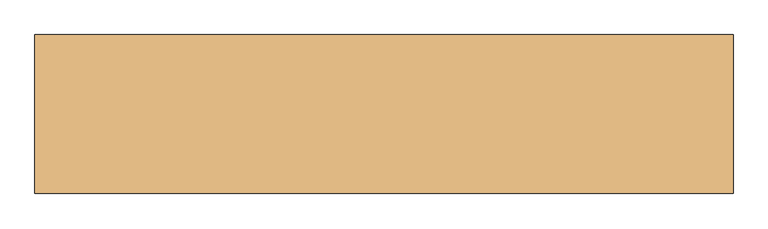
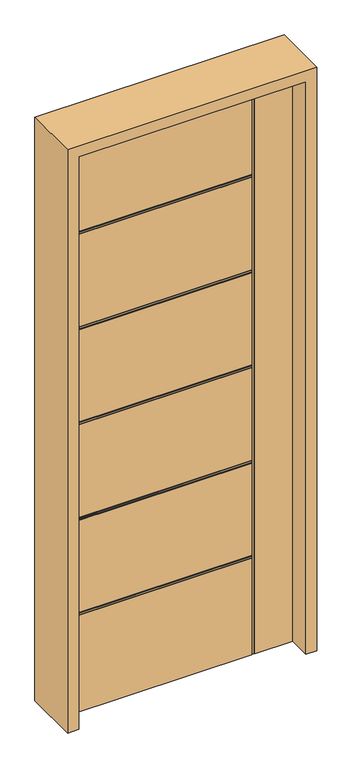
"""IFC4 building model written with IfcOpenShell, lengths in millimetres: door geometry."""

from ifc_helpers import new_model, si_unit, frame, origin, place, context, project, spatial, polyline, outline, extrude, faceted_brep, source, transform, mapped, element, save


def door_75e451d3(model_context):
    return source(origin(), model_context, "Body", "SolidModel", [
        faceted_brep([(-457.2, 22.225, 0.0), (292.1, 22.225, 0.0), (292.1, 18.9507813, 0.0), (295.402, 18.9507813, 0.0), (295.402, 22.225, 0.0), (301.498, 22.225, 0.0), (301.498, 18.9507813, 0.0), (304.8, 18.9507813, 0.0), (304.8, 22.225, 0.0), (457.2, 22.225, 0.0), (457.2, -22.225, 0.0), (304.8, -22.225, 0.0), (304.8, -18.923, 0.0), (301.498, -18.923, 0.0), (301.498, -22.225, 0.0), (295.402, -22.225, 0.0), (295.402, -18.923, 0.0), (292.1, -18.923, 0.0), (292.1, -22.225, 0.0), (-457.2, -22.225, 0.0), (-457.2, 22.225, 2438.4), (-457.2, 22.225, 2045.462), (-457.2, 18.9507813, 2045.462), (-457.2, 18.9507813, 2042.16), (-457.2, 22.225, 2042.16), (-457.2, 22.225, 2036.064), (-457.2, 18.9507813, 2036.064), (-457.2, 18.9507813, 2032.762), (-457.2, 22.225, 2032.762), (-457.2, 22.225, 1639.824), (-457.2, 18.9507813, 1639.824), (-457.2, 18.9507813, 1636.522), (-457.2, 22.225, 1636.522), (-457.2, 22.225, 1630.426), (-457.2, 18.9507813, 1630.426), (-457.2, 18.9507813, 1627.124), (-457.2, 22.225, 1627.124), (-457.2, 22.225, 1234.186), (-457.2, 18.9507813, 1234.186), (-457.2, 18.9507813, 1230.884), (-457.2, 22.225, 1230.884), (-457.2, 22.225, 1224.788), (-457.2, 18.9507813, 1224.788), (-457.2, 18.9507813, 1221.486), (-457.2, 22.225, 1221.486), (-457.2, 22.225, 828.548), (-457.2, 18.9507813, 828.548), (-457.2, 18.9507813, 825.246), (-457.2, 22.225, 825.246), (-457.2, 22.225, 819.15), (-457.2, 18.9507813, 819.15), (-457.2, 18.9507813, 815.848), (-457.2, 22.225, 815.848), (-457.2, 22.225, 422.91), (-457.2, 18.9507813, 422.91), (-457.2, 18.9507813, 419.608), (-457.2, 22.225, 419.608), (-457.2, 22.225, 413.512), (-457.2, 18.9507813, 413.512), (-457.2, 18.9507813, 410.21), (-457.2, 22.225, 410.21), (-457.2, -22.225, 410.21), (-457.2, -18.923, 410.21), (-457.2, -18.923, 413.512), (-457.2, -22.225, 413.512), (-457.2, -22.225, 419.608), (-457.2, -18.923, 419.608), (-457.2, -18.923, 422.91), (-457.2, -22.225, 422.91), (-457.2, -22.225, 815.848), (-457.2, -18.923, 815.848), (-457.2, -18.923, 819.15), (-457.2, -22.225, 819.15), (-457.2, -22.225, 825.246), (-457.2, -18.923, 825.246), (-457.2, -18.923, 828.548), (-457.2, -22.225, 828.548), (-457.2, -22.225, 1221.486), (-457.2, -18.923, 1221.486), (-457.2, -18.923, 1224.788), (-457.2, -22.225, 1224.788), (-457.2, -22.225, 1230.884), (-457.2, -18.923, 1230.884), (-457.2, -18.923, 1234.186), (-457.2, -22.225, 1234.186), (-457.2, -22.225, 1627.124), (-457.2, -18.923, 1627.124), (-457.2, -18.923, 1630.426), (-457.2, -22.225, 1630.426), (-457.2, -22.225, 1636.522), (-457.2, -18.923, 1636.522), (-457.2, -18.923, 1639.824), (-457.2, -22.225, 1639.824), (-457.2, -22.225, 2032.762), (-457.2, -18.923, 2032.762), (-457.2, -18.923, 2036.064), (-457.2, -22.225, 2036.064), (-457.2, -22.225, 2042.16), (-457.2, -18.923, 2042.16), (-457.2, -18.923, 2045.462), (-457.2, -22.225, 2045.462), (-457.2, -22.225, 2438.4), (292.1, -22.225, 2045.462), (292.1, -22.225, 2438.4), (292.1, -22.225, 410.21), (292.1, -22.225, 828.548), (292.1, -22.225, 1221.486), (292.1, -22.225, 819.15), (292.1, -22.225, 825.246), (292.1, -22.225, 422.91), (292.1, -22.225, 815.848), (292.1, -22.225, 413.512), (292.1, -22.225, 419.608), (295.402, -22.225, 2438.4), (301.498, -22.225, 2438.4), (292.1, -22.225, 2036.064), (292.1, -22.225, 2042.16), (292.1, -22.225, 1224.788), (292.1, -22.225, 1230.884), (292.1, -22.225, 1234.186), (292.1, -22.225, 1627.124), (292.1, -22.225, 1630.426), (292.1, -22.225, 1636.522), (292.1, -22.225, 1639.824), (292.1, -22.225, 2032.762), (457.2, -22.225, 2438.4), (304.8, -22.225, 2438.4), (457.2, 22.225, 2438.4), (304.8, 22.225, 2438.4), (292.1, 22.225, 410.21), (292.1, 22.225, 419.608), (292.1, 22.225, 413.512), (292.1, 22.225, 815.848), (292.1, 22.225, 422.91), (292.1, 22.225, 825.246), (292.1, 22.225, 819.15), (292.1, 22.225, 1221.486), (292.1, 22.225, 828.548), (292.1, 22.225, 2438.4), (292.1, 22.225, 2045.462), (301.498, 22.225, 2438.4), (295.402, 22.225, 2438.4), (292.1, 22.225, 2042.16), (292.1, 22.225, 2036.064), (292.1, 22.225, 1230.884), (292.1, 22.225, 1224.788), (292.1, 22.225, 1627.124), (292.1, 22.225, 1234.186), (292.1, 22.225, 1636.522), (292.1, 22.225, 1630.426), (292.1, 22.225, 2032.762), (292.1, 22.225, 1639.824), (304.8, 18.9507813, 2438.4), (301.498, 18.9507813, 2438.4), (295.402, 18.9507813, 2438.4), (292.1, 18.9507813, 2438.4), (292.1, -18.923, 2438.4), (295.402, -18.923, 2438.4), (301.498, -18.923, 2438.4), (304.8, -18.923, 2438.4), (292.1, 18.9507813, 410.21), (292.1, 18.9507813, 413.512), (292.1, 18.9507813, 419.608), (292.1, 18.9507813, 422.91), (292.1, 18.9507813, 815.848), (292.1, 18.9507813, 819.15), (292.1, 18.9507813, 825.246), (292.1, 18.9507813, 828.548), (292.1, 18.9507813, 1221.486), (292.1, 18.9507813, 1224.788), (292.1, 18.9507813, 1230.884), (292.1, 18.9507813, 1234.186), (292.1, 18.9507813, 1627.124), (292.1, 18.9507813, 1630.426), (292.1, 18.9507813, 1636.522), (292.1, 18.9507813, 1639.824), (292.1, 18.9507813, 2032.762), (292.1, 18.9507813, 2036.064), (292.1, 18.9507813, 2042.16), (292.1, 18.9507813, 2045.462), (292.1, -18.923, 410.21), (292.1, -18.923, 2045.462), (292.1, -18.923, 2042.16), (292.1, -18.923, 2036.064), (292.1, -18.923, 2032.762), (292.1, -18.923, 1639.824), (292.1, -18.923, 1636.522), (292.1, -18.923, 1630.426), (292.1, -18.923, 1627.124), (292.1, -18.923, 1234.186), (292.1, -18.923, 1230.884), (292.1, -18.923, 1224.788), (292.1, -18.923, 1221.486), (292.1, -18.923, 828.548), (292.1, -18.923, 825.246), (292.1, -18.923, 819.15), (292.1, -18.923, 815.848), (292.1, -18.923, 422.91), (292.1, -18.923, 419.608), (292.1, -18.923, 413.512)], [[[0, 1, 2, 3, 4, 5, 6, 7, 8, 9, 10, 11, 12, 13, 14, 15, 16, 17, 18, 19]], [[20, 21, 22, 23, 24, 25, 26, 27, 28, 29, 30, 31, 32, 33, 34, 35, 36, 37, 38, 39, 40, 41, 42, 43, 44, 45, 46, 47, 48, 49, 50, 51, 52, 53, 54, 55, 56, 57, 58, 59, 60, 0, 19, 61, 62, 63, 64, 65, 66, 67, 68, 69, 70, 71, 72, 73, 74, 75, 76, 77, 78, 79, 80, 81, 82, 83, 84, 85, 86, 87, 88, 89, 90, 91, 92, 93, 94, 95, 96, 97, 98, 99, 100, 101]], [[101, 100, 102, 103]], [[18, 104, 61, 19]], [[76, 105, 106, 77]], [[72, 107, 108, 73]], [[68, 109, 110, 69]], [[64, 111, 112, 65]], [[113, 15, 14, 114]], [[96, 115, 116, 97]], [[80, 117, 118, 81]], [[84, 119, 120, 85]], [[88, 121, 122, 89]], [[92, 123, 124, 93]], [[125, 126, 11, 10]], [[125, 10, 9, 127]], [[9, 8, 128, 127]], [[0, 60, 129, 1]], [[56, 130, 131, 57]], [[52, 132, 133, 53]], [[48, 134, 135, 49]], [[44, 136, 137, 45]], [[138, 139, 21, 20]], [[140, 5, 4, 141]], [[24, 142, 143, 25]], [[40, 144, 145, 41]], [[36, 146, 147, 37]], [[32, 148, 149, 33]], [[28, 150, 151, 29]], [[127, 128, 152, 153, 140, 141, 154, 155, 138, 20, 101, 103, 156, 157, 113, 114, 158, 159, 126, 125]], [[152, 128, 8, 7]], [[7, 6, 153, 152]], [[3, 2, 160, 59, 58, 161, 162, 55, 54, 163, 164, 51, 50, 165, 166, 47, 46, 167, 168, 43, 42, 169, 170, 39, 38, 171, 172, 35, 34, 173, 174, 31, 30, 175, 176, 27, 26, 177, 178, 23, 22, 179, 155, 154]], [[6, 5, 140, 153]], [[154, 141, 4, 3]], [[2, 1, 129, 160]], [[160, 129, 60, 59]], [[58, 57, 131, 161]], [[161, 131, 130, 162]], [[162, 130, 56, 55]], [[54, 53, 133, 163]], [[163, 133, 132, 164]], [[164, 132, 52, 51]], [[50, 49, 135, 165]], [[165, 135, 134, 166]], [[166, 134, 48, 47]], [[46, 45, 137, 167]], [[167, 137, 136, 168]], [[179, 139, 138, 155]], [[175, 151, 150, 176]], [[176, 150, 28, 27]], [[26, 25, 143, 177]], [[177, 143, 142, 178]], [[178, 142, 24, 23]], [[22, 21, 139, 179]], [[168, 136, 44, 43]], [[42, 41, 145, 169]], [[169, 145, 144, 170]], [[170, 144, 40, 39]], [[38, 37, 147, 171]], [[171, 147, 146, 172]], [[172, 146, 36, 35]], [[34, 33, 149, 173]], [[173, 149, 148, 174]], [[174, 148, 32, 31]], [[30, 29, 151, 175]], [[180, 104, 18, 17]], [[17, 16, 157, 156, 181, 99, 98, 182, 183, 95, 94, 184, 185, 91, 90, 186, 187, 87, 86, 188, 189, 83, 82, 190, 191, 79, 78, 192, 193, 75, 74, 194, 195, 71, 70, 196, 197, 67, 66, 198, 199, 63, 62, 180]], [[13, 12, 159, 158]], [[16, 15, 113, 157]], [[158, 114, 14, 13]], [[12, 11, 126, 159]], [[62, 61, 104, 180]], [[66, 65, 112, 198]], [[198, 112, 111, 199]], [[199, 111, 64, 63]], [[70, 69, 110, 196]], [[196, 110, 109, 197]], [[197, 109, 68, 67]], [[74, 73, 108, 194]], [[194, 108, 107, 195]], [[195, 107, 72, 71]], [[192, 106, 105, 193]], [[193, 105, 76, 75]], [[156, 103, 102, 181]], [[184, 124, 123, 185]], [[94, 93, 124, 184]], [[183, 115, 96, 95]], [[182, 116, 115, 183]], [[98, 97, 116, 182]], [[181, 102, 100, 99]], [[78, 77, 106, 192]], [[191, 117, 80, 79]], [[190, 118, 117, 191]], [[82, 81, 118, 190]], [[189, 119, 84, 83]], [[188, 120, 119, 189]], [[86, 85, 120, 188]], [[187, 121, 88, 87]], [[186, 122, 121, 187]], [[90, 89, 122, 186]], [[185, 123, 92, 91]]]),
        extrude(outline(polyline([(0.0, -457.2), (2438.4, -457.2), (2438.4, 457.2), (0.0, 457.2), (0.0, 501.65), (2482.85, 501.65), (2482.85, -501.65), (0.0, -501.65), (0.0, -457.2)])), frame((0.0, -114.3, 0.0), z_axis=(0.0, 1.0, 0.0), x_axis=(0.0, 0.0, 1.0)), (0.0, 0.0, 1.0), 228.6),
    ])


if __name__ == "__main__":
    model = new_model("IFC4")
    model_context = context("Model", 3, world=origin())
    ifc_project = project(units=[si_unit("LENGTHUNIT", "METRE", prefix="MILLI")], contexts=[model_context])
    site = spatial("IfcSite", under=ifc_project)
    building = spatial("IfcBuilding", under=site)
    placement = place(None, origin())
    door_shape = door_75e451d3(model_context)
    element("IfcDoor", 1, at=placement, inside=building, context=model_context, shape_type="MappedRepresentation", body=[
        mapped(door_shape, transform((0.0, 0.0, 0.0), x_axis=(1.0, 0.0, 0.0), y_axis=(0.0, 1.0, 0.0), z_axis=(0.0, 0.0, 1.0))),
    ])
    save(model, "model.ifc")
